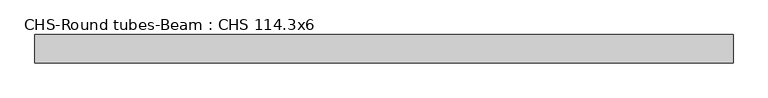
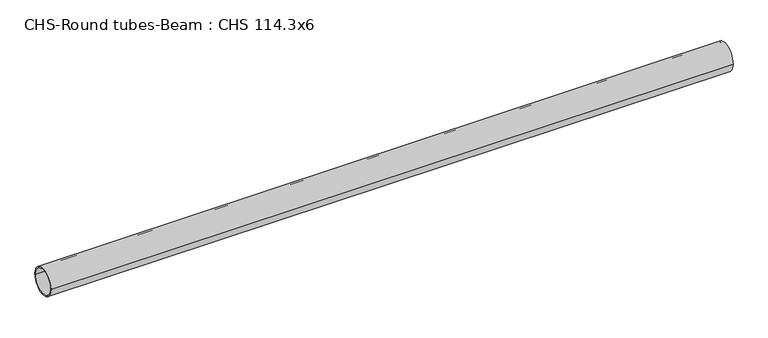
"""IFC4 building model written with IfcOpenShell, lengths in millimetres: beam geometry, CHS-Round tubes-Beam : CHS 114.3x6."""

import ifcopenshell
import ifcopenshell.guid

model = None  # the IFC model being written
_history = None  # IfcOwnerHistory: only IFC2X3 demands one
_inside = {}  # id of a spatial element -> (the spatial element, [elements in it])
_under = {}  # id of a project, library or spatial element -> (it, [spatial elements below it])
_declared = {}  # id of a project -> (the project, [libraries it declares])
_typed = {}  # id of a type object -> (the type object, [elements of that type])
_made_of = {}  # id of a material, layer set ... -> (it, [elements and type objects made of it])


def new_model(schema):
    """Start an empty IFC model of exactly this schema.

    Asked for "IFC4X3", IfcOpenShell would pick the latest addendum, in which some entities
    have other attributes; the version numbers below select the first issue.
    IFC2X3 requires an IfcOwnerHistory on every rooted entity: one is made here for all.
    """
    global model, _history
    if schema == "IFC4X3":
        model = ifcopenshell.file(schema_version=(4, 3, 0, 0))
    else:
        model = ifcopenshell.file(schema=schema)
    _inside.clear()
    _under.clear()
    _declared.clear()
    _typed.clear()
    _made_of.clear()
    _history = None
    if model.schema == "IFC2X3":
        org = make("IfcOrganization", Name="unknown")
        user = make(
            "IfcPersonAndOrganization",
            ThePerson=make("IfcPerson", FamilyName="unknown"),
            TheOrganization=org,
        )
        app = make(
            "IfcApplication",
            ApplicationDeveloper=org,
            Version="unknown",
            ApplicationFullName="unknown",
            ApplicationIdentifier="unknown",
        )
        _history = make(
            "IfcOwnerHistory",
            OwningUser=user,
            OwningApplication=app,
            ChangeAction="ADDED",
            CreationDate=0,
        )
    return model


def make(cls, **values):
    """One entity of the class cls with the attributes given. An attribute that is None is left unset."""
    return model.create_entity(
        cls, **{name: value for name, value in values.items() if value is not None}
    )


def rooted(cls, **values):
    """An entity with a GlobalId (a new one), such as an element, a storey or a relation."""
    return make(cls, GlobalId=ifcopenshell.guid.new(), OwnerHistory=_history, **values)


def si_unit(unit_type, name, prefix=None):
    """IfcSIUnit, for example si_unit("LENGTHUNIT", "METRE", prefix="MILLI")."""
    return make("IfcSIUnit", UnitType=unit_type, Prefix=prefix, Name=name)


def assignment(units):
    """IfcUnitAssignment: the units of a project."""
    return None if units is None else make("IfcUnitAssignment", Units=units)


def point(xyz):
    """IfcCartesianPoint."""
    return None if xyz is None else make("IfcCartesianPoint", Coordinates=xyz)


def direction(xyz):
    """IfcDirection."""
    return None if xyz is None else make("IfcDirection", DirectionRatios=xyz)


def frame(location, z_axis=None, x_axis=None):
    """IfcAxis2Placement3D, a coordinate frame: its origin and axes. An axis left out is left unset."""
    return make(
        "IfcAxis2Placement3D",
        Location=point(location),
        Axis=direction(z_axis),
        RefDirection=direction(x_axis),
    )


def frame_2d(location, x_axis=None):
    """IfcAxis2Placement2D, a coordinate frame in the plane: its origin and x axis."""
    return make(
        "IfcAxis2Placement2D", Location=point(location), RefDirection=direction(x_axis)
    )


def origin():
    """The frame at (0, 0, 0) with its axes left unset."""
    return frame((0.0, 0.0, 0.0))


def origin_2d():
    """The frame at (0, 0) in the plane with its x axis left unset."""
    return frame_2d((0.0, 0.0))


def place(relative_to, where):
    """IfcLocalPlacement: puts the frame where relative to a parent placement (None: the world)."""
    return make(
        "IfcLocalPlacement", PlacementRelTo=relative_to, RelativePlacement=where
    )


def context(
    kind, dimensions, precision=None, world=None, true_north=None, identifier=None
):
    """IfcGeometricRepresentationContext, for example the 3D "Model" context."""
    return make(
        "IfcGeometricRepresentationContext",
        ContextIdentifier=identifier,
        ContextType=kind,
        CoordinateSpaceDimension=dimensions,
        Precision=precision,
        WorldCoordinateSystem=world,
        TrueNorth=true_north,
    )


def project(units=None, contexts=None):
    """IfcProject with its units and contexts."""
    return rooted(
        "IfcProject",
        Name="project",
        RepresentationContexts=contexts,
        UnitsInContext=assignment(units),
    )


def spatial(cls, under=None, at=None, **own):
    """A site, building, storey or space (cls), placed at a placement, below another one or the project."""
    s = rooted(cls, ObjectPlacement=at, **own)
    if under is not None:
        _under.setdefault(under.id(), (under, []))[1].append(s)
    return s


def circle_curve(where, radius):
    """IfcCircle in the frame where."""
    return make("IfcCircle", Position=where, Radius=radius)


def trimmed(basis, trim1, trim2, sense, master):
    """IfcTrimmedCurve: the piece of a basis curve between two trims."""
    return make(
        "IfcTrimmedCurve",
        BasisCurve=basis,
        Trim1=trim1,
        Trim2=trim2,
        SenseAgreement=sense,
        MasterRepresentation=master,
    )


def segment(curve, same_sense, transition):
    """IfcCompositeCurveSegment."""
    return make(
        "IfcCompositeCurveSegment",
        Transition=transition,
        SameSense=same_sense,
        ParentCurve=curve,
    )


def composite_curve(segments, self_intersect=None):
    """IfcCompositeCurve: segments joined end to end."""
    return make("IfcCompositeCurve", Segments=segments, SelfIntersect=self_intersect)


def outline(outer, holes=None, kind="AREA"):
    """IfcArbitraryClosedProfileDef: a profile drawn as a closed curve; with holes, ...WithVoids."""
    if holes is None:
        return make("IfcArbitraryClosedProfileDef", ProfileType=kind, OuterCurve=outer)
    return make(
        "IfcArbitraryProfileDefWithVoids",
        ProfileType=kind,
        OuterCurve=outer,
        InnerCurves=holes,
    )


def extrude(swept, where, along, depth):
    """IfcExtrudedAreaSolid: the profile swept, set in the frame where, extruded along a direction by depth."""
    return make(
        "IfcExtrudedAreaSolid",
        SweptArea=swept,
        Position=where,
        ExtrudedDirection=direction(along),
        Depth=depth,
    )


def shape(context_of_items, identifier, shape_type, items):
    """IfcShapeRepresentation: the items that make up one representation, for example the "Body"."""
    return make(
        "IfcShapeRepresentation",
        ContextOfItems=context_of_items,
        RepresentationIdentifier=identifier,
        RepresentationType=shape_type,
        Items=items,
    )


def source(mapping_origin, context_of_items, identifier, shape_type, items):
    """IfcRepresentationMap: a shape defined once, which mapped items show again and again."""
    return make(
        "IfcRepresentationMap",
        MappingOrigin=mapping_origin,
        MappedRepresentation=shape(context_of_items, identifier, shape_type, items),
    )


def transform(
    local_origin,
    x_axis=None,
    y_axis=None,
    z_axis=None,
    scale=None,
    scale2=None,
    scale3=None,
    uniform=True,
):
    """IfcCartesianTransformationOperator3D, or its non-uniform kind. x_axis, y_axis, z_axis: its Axis1, 2, 3."""
    if uniform:
        return make(
            "IfcCartesianTransformationOperator3D",
            Axis1=direction(x_axis),
            Axis2=direction(y_axis),
            LocalOrigin=point(local_origin),
            Scale=scale,
            Axis3=direction(z_axis),
        )
    return make(
        "IfcCartesianTransformationOperator3DnonUniform",
        Axis1=direction(x_axis),
        Axis2=direction(y_axis),
        LocalOrigin=point(local_origin),
        Scale=scale,
        Axis3=direction(z_axis),
        Scale2=scale2,
        Scale3=scale3,
    )


def mapped(mapping_source, mapping_target):
    """IfcMappedItem: shows the shape of a source again, moved by a transform."""
    return make(
        "IfcMappedItem", MappingSource=mapping_source, MappingTarget=mapping_target
    )


def made_of(thing, what):
    """Note that an element or type object is made of a material, layer set ...; save() writes the relation."""
    if what is not None:
        _made_of.setdefault(what.id(), (what, []))[1].append(thing)
    return thing


def element(
    cls,
    number,
    at=None,
    inside=None,
    cuts=None,
    type_object=None,
    material=None,
    context=None,
    identifier="Body",
    shape_type=None,
    held_by="IfcProductDefinitionShape",
    body=None,
    shapes=None,
    **own,
):
    """One element of the class cls, such as IfcWall. Its Tag is "e" and its number.

    at: its placement. inside: the storey or other place that contains it. cuts: it is an
    opening in that element (IfcRelVoidsElement). A single representation is given by context,
    identifier, shape_type and body (its items); several are given by shapes. held_by: the class
    of the entity that holds the representations. save() writes the other relations.
    """
    e = rooted(cls, Tag="e%d" % number, ObjectPlacement=at, **own)
    if body is not None:
        shapes = [shape(context, identifier, shape_type, body)]
    if shapes is not None:
        e.Representation = make(held_by, Representations=shapes)
    if inside is not None:
        _inside.setdefault(inside.id(), (inside, []))[1].append(e)
    if cuts is not None:
        rooted(
            "IfcRelVoidsElement", RelatingBuildingElement=cuts, RelatedOpeningElement=e
        )
    if type_object is not None:
        _typed.setdefault(type_object.id(), (type_object, []))[1].append(e)
    return made_of(e, material)


def aggregate(whole, parts):
    """IfcRelAggregates: a whole, such as a stair, and the parts it consists of."""
    return rooted("IfcRelAggregates", RelatingObject=whole, RelatedObjects=parts)


def save(model, path):
    """Write the relations noted so far, then the file.

    IfcRelAggregates (storeys below a building ...), IfcRelContainedInSpatialStructure (elements
    in a storey), IfcRelDefinesByType, IfcRelAssociatesMaterial and IfcRelDeclares: one each for
    every whole, place, type object, material and project.
    """
    for whole, parts in _under.values():
        aggregate(whole, parts)
    for where, things in _inside.values():
        rooted(
            "IfcRelContainedInSpatialStructure",
            RelatedElements=things,
            RelatingStructure=where,
        )
    for kind, things in _typed.values():
        rooted("IfcRelDefinesByType", RelatedObjects=things, RelatingType=kind)
    for what, things in _made_of.values():
        rooted("IfcRelAssociatesMaterial", RelatedObjects=things, RelatingMaterial=what)
    for by, libraries in _declared.values():
        rooted("IfcRelDeclares", RelatingContext=by, RelatedDefinitions=libraries)
    model.write(path)


def chs_round_tubes_beam_chs_114_3x6_867f40ed(model_context):
    return source(origin(), model_context, "Body", "SweptSolid", [
        extrude(outline(composite_curve([segment(trimmed(circle_curve(origin_2d(), 57.15), [point((57.15, 0.0))], [point((-57.15, 0.0))], False, "CARTESIAN"), True, "CONTINUOUS"), segment(trimmed(circle_curve(origin_2d(), 57.15), [point((-57.15, 0.0))], [point((57.15, 0.0))], False, "CARTESIAN"), True, "CONTINUOUS")], self_intersect=False), holes=[composite_curve([segment(trimmed(circle_curve(origin_2d(), 51.15), [point((51.15, 0.0))], [point((-51.15, 0.0))], True, "CARTESIAN"), True, "CONTINUOUS"), segment(trimmed(circle_curve(origin_2d(), 51.15), [point((-51.15, 0.0))], [point((51.15, 0.0))], True, "CARTESIAN"), True, "CONTINUOUS")], self_intersect=False)]), frame((-1392.1242181, 0.0, 0.0), z_axis=(1.0, 0.0, 0.0), x_axis=(0.0, 1.0, 0.0)), (0.0, 0.0, 1.0), 2794.4489572),
    ])


if __name__ == "__main__":
    model = new_model("IFC4")
    model_context = context("Model", 3, world=origin())
    ifc_project = project(units=[si_unit("LENGTHUNIT", "METRE", prefix="MILLI")], contexts=[model_context])
    site = spatial("IfcSite", under=ifc_project)
    building = spatial("IfcBuilding", under=site)
    placement = place(None, origin())
    chs_round_tubes_beam_chs_114_3x6_shape = chs_round_tubes_beam_chs_114_3x6_867f40ed(model_context)
    element("IfcBeam", 1, ObjectType="CHS-Round tubes-Beam : CHS 114.3x6", at=placement, inside=building, context=model_context, shape_type="MappedRepresentation", body=[
        mapped(chs_round_tubes_beam_chs_114_3x6_shape, transform((0.0, 0.0, 0.0), x_axis=(1.0, 0.0, 0.0), y_axis=(0.0, 1.0, 0.0), z_axis=(0.0, 0.0, 1.0))),
    ])
    save(model, "model.ifc")
